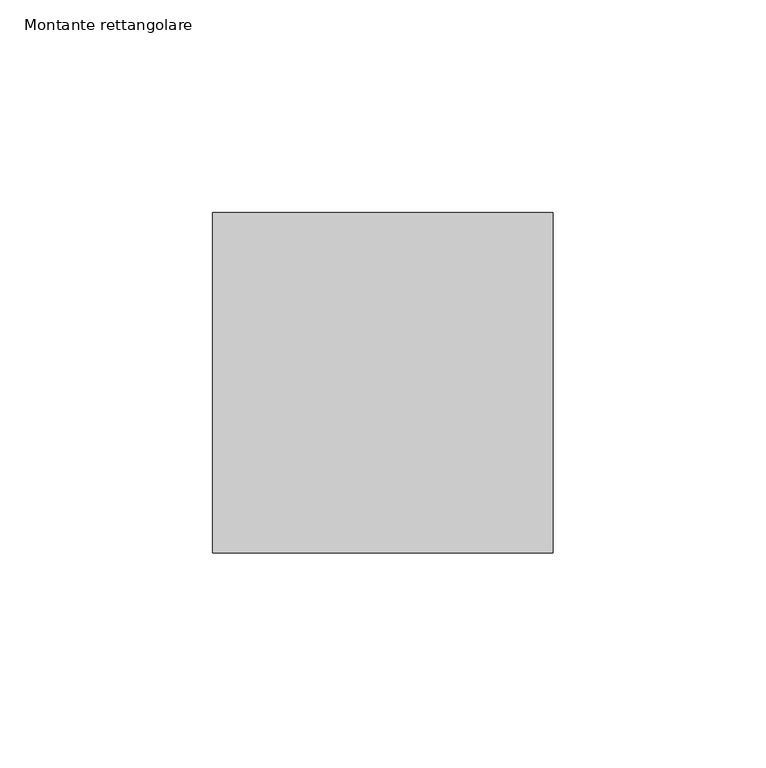
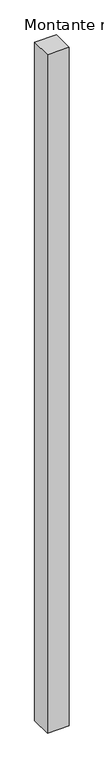
"""IFC4 building model written with IfcOpenShell, lengths in millimetres: member geometry, Montante rettangolare."""

from ifc_helpers import new_model, si_unit, frame, origin, place, context, project, spatial, polyline, outline, extrude, source, transform, mapped, element, save


def montante_rettangolare_081b1db3(model_context):
    return source(origin(), model_context, "Body", "SweptSolid", [
        extrude(outline(polyline([(0.0, 40.0), (0.0, -40.0), (-80.0, -40.0), (-80.0, 40.0), (0.0, 40.0)])), frame((0.0, 0.0, -2621.8960965), z_axis=(0.0, 0.0, 1.0), x_axis=(1.0, 0.0, 0.0)), (0.0, 0.0, 1.0), 2621.8960965),
    ])


if __name__ == "__main__":
    model = new_model("IFC4")
    model_context = context("Model", 3, world=origin())
    ifc_project = project(units=[si_unit("LENGTHUNIT", "METRE", prefix="MILLI")], contexts=[model_context])
    site = spatial("IfcSite", under=ifc_project)
    building = spatial("IfcBuilding", under=site)
    placement = place(None, origin())
    montante_rettangolare_shape = montante_rettangolare_081b1db3(model_context)
    element("IfcMember", 1, ObjectType="Montante rettangolare", at=placement, inside=building, context=model_context, shape_type="MappedRepresentation", body=[
        mapped(montante_rettangolare_shape, transform((0.0, 0.0, 0.0), x_axis=(1.0, 0.0, 0.0), y_axis=(0.0, 1.0, 0.0), z_axis=(0.0, 0.0, 1.0))),
    ])
    save(model, "model.ifc")
